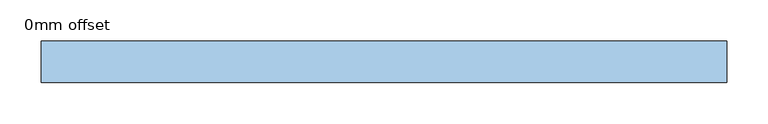
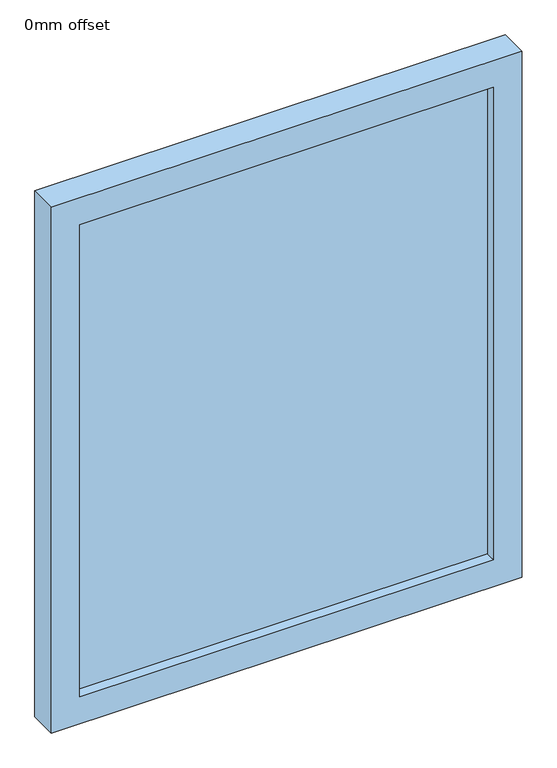
"""IFC4 building model written with IfcOpenShell, lengths in millimetres: window geometry, 0mm offset."""

from ifc_helpers import new_model, si_unit, frame, origin, place, context, project, spatial, polyline, outline, extrude, source, transform, mapped, element, save


def window_0mm_offset_24c6ee83(model_context):
    return source(origin(), model_context, "Body", "SweptSolid", [
        extrude(outline(polyline([(365.0, 30.95), (365.0, 18.25), (-365.0, 18.25), (-365.0, 30.95), (365.0, 30.95)])), frame((0.0, 0.0, 50.0), z_axis=(0.0, 0.0, 1.0), x_axis=(1.0, 0.0, 0.0)), (0.0, 0.0, 1.0), 880.0),
        extrude(outline(polyline([(980.0, -415.0), (0.0, -415.0), (0.0, 415.0), (980.0, 415.0), (980.0, -415.0)]), holes=[polyline([(930.0, -365.0), (930.0, 365.0), (50.0, 365.0), (50.0, -365.0), (930.0, -365.0)])]), frame((0.0, 0.0, 0.0), z_axis=(0.0, 1.0, 0.0), x_axis=(0.0, 0.0, 1.0)), (0.0, 0.0, 1.0), 50.0),
    ])


if __name__ == "__main__":
    model = new_model("IFC4")
    model_context = context("Model", 3, world=origin())
    ifc_project = project(units=[si_unit("LENGTHUNIT", "METRE", prefix="MILLI")], contexts=[model_context])
    site = spatial("IfcSite", under=ifc_project)
    building = spatial("IfcBuilding", under=site)
    placement = place(None, origin())
    window_0mm_offset_shape = window_0mm_offset_24c6ee83(model_context)
    element("IfcWindow", 1, ObjectType="0mm offset", at=placement, inside=building, context=model_context, shape_type="MappedRepresentation", body=[
        mapped(window_0mm_offset_shape, transform((0.0, 0.0, 0.0), x_axis=(1.0, 0.0, 0.0), y_axis=(0.0, 1.0, 0.0), z_axis=(0.0, 0.0, 1.0))),
    ])
    save(model, "model.ifc")
